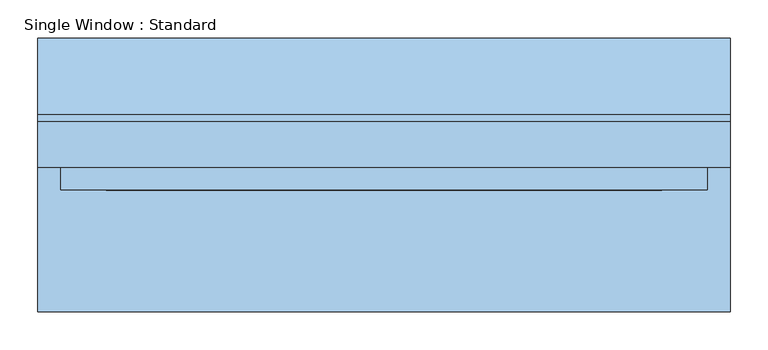
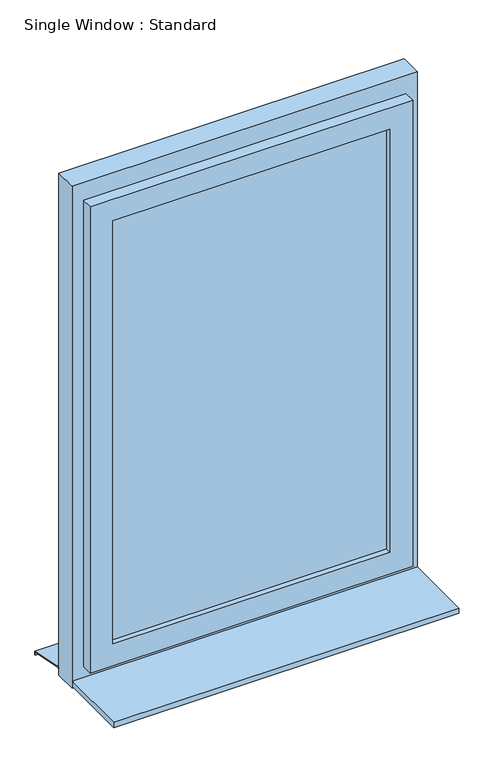
"""IFC4 building model written with IfcOpenShell, lengths in millimetres: window geometry, Single Window : Standard."""

from ifc_helpers import new_model, si_unit, frame, origin, place, context, project, spatial, polyline, outline, extrude, faceted_brep, source, transform, mapped, element, save


def single_window_standard_24efd426(model_context):
    return source(origin(), model_context, "Body", "SolidModel", [
        extrude(outline(polyline([(365.3376555, -5.0), (-365.3376555, -5.0), (-365.3376555, 25.0), (365.3376555, 25.0), (365.3376555, -5.0)])), frame((0.0, 0.0, 1110.0), z_axis=(0.0, 0.0, 1.0), x_axis=(1.0, 0.0, 0.0)), (0.0, 0.0, 1.0), 1180.0),
        faceted_brep([(425.3376555, 10.0, 2350.0), (425.3376555, -20.0, 2350.0), (425.3376555, -20.0, 1050.0), (425.3376555, 10.0, 1050.0), (395.3376555, 40.0, 2320.0), (395.3376555, 10.0, 2320.0), (395.3376555, 10.0, 1080.0), (395.3376555, 40.0, 1080.0), (365.3376555, -20.0, 2290.0), (365.3376555, 40.0, 2290.0), (365.3376555, 40.0, 1110.0), (365.3376555, -20.0, 1110.0), (-425.3376555, -20.0, 1050.0), (-425.3376555, 10.0, 1050.0), (-395.3376555, 10.0, 1080.0), (-395.3376555, 40.0, 1080.0), (-365.3376555, 40.0, 1110.0), (-365.3376555, -20.0, 1110.0), (-425.3376555, -20.0, 2350.0), (-425.3376555, 10.0, 2350.0), (-395.3376555, 10.0, 2320.0), (-395.3376555, 40.0, 2320.0), (-365.3376555, 40.0, 2290.0), (-365.3376555, -20.0, 2290.0)], [[[0, 1, 2, 3]], [[4, 5, 6, 7]], [[8, 9, 10, 11]], [[3, 2, 12, 13]], [[7, 6, 14, 15]], [[11, 10, 16, 17]], [[13, 12, 18, 19]], [[15, 14, 20, 21]], [[17, 16, 22, 23]], [[19, 18, 1, 0]], [[3, 13, 19, 0], [5, 20, 14, 6]], [[21, 20, 5, 4]], [[7, 15, 21, 4], [9, 22, 16, 10]], [[23, 22, 9, 8]], [[1, 18, 12, 2], [11, 17, 23, 8]]]),
        extrude(outline(polyline([(2400.0, 455.3376555), (2400.0, -455.3376555), (1000.0, -455.3376555), (1000.0, 455.3376555), (2400.0, 455.3376555)]), holes=[polyline([(2320.0, 395.3376555), (1080.0, 395.3376555), (1080.0, -395.3376555), (2320.0, -395.3376555), (2320.0, 395.3376555)])]), frame((0.0, 10.0, 0.0), z_axis=(0.0, 1.0, 0.0), x_axis=(0.0, 0.0, 1.0)), (0.0, 0.0, 1.0), 60.0),
        extrude(outline(polyline([(80.0221543, 1020.0), (180.0, 1000.0), (180.0, 990.0), (178.0, 990.0), (178.0, 998.3604634), (79.8240723, 1018.0), (70.0, 1018.0), (70.0, 1020.0), (80.0221543, 1020.0)])), frame((-455.3376555, 0.0, 0.0), z_axis=(1.0, 0.0, 0.0), x_axis=(0.0, 1.0, 0.0)), (0.0, 0.0, 1.0), 910.675311),
        extrude(outline(polyline([(-455.3376555, -180.0), (-455.3376555, 10.0), (455.3376555, 10.0), (455.3376555, -180.0), (-455.3376555, -180.0)])), frame((0.0, 0.0, 1005.0), z_axis=(0.0, 0.0, 1.0), x_axis=(1.0, 0.0, 0.0)), (0.0, 0.0, 1.0), 15.0),
    ])


if __name__ == "__main__":
    model = new_model("IFC4")
    model_context = context("Model", 3, world=origin())
    ifc_project = project(units=[si_unit("LENGTHUNIT", "METRE", prefix="MILLI")], contexts=[model_context])
    site = spatial("IfcSite", under=ifc_project)
    building = spatial("IfcBuilding", under=site)
    placement = place(None, origin())
    single_window_standard_shape = single_window_standard_24efd426(model_context)
    element("IfcWindow", 1, ObjectType="Single Window : Standard", at=placement, inside=building, context=model_context, shape_type="MappedRepresentation", body=[
        mapped(single_window_standard_shape, transform((0.0, 0.0, 0.0), x_axis=(1.0, 0.0, 0.0), y_axis=(0.0, 1.0, 0.0), z_axis=(0.0, 0.0, 1.0))),
    ])
    save(model, "model.ifc")
